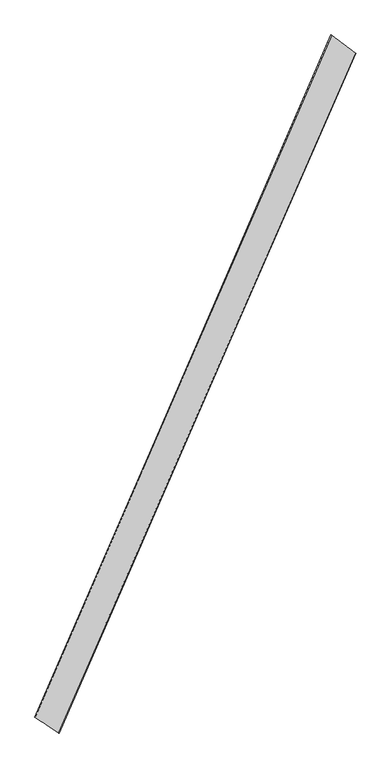
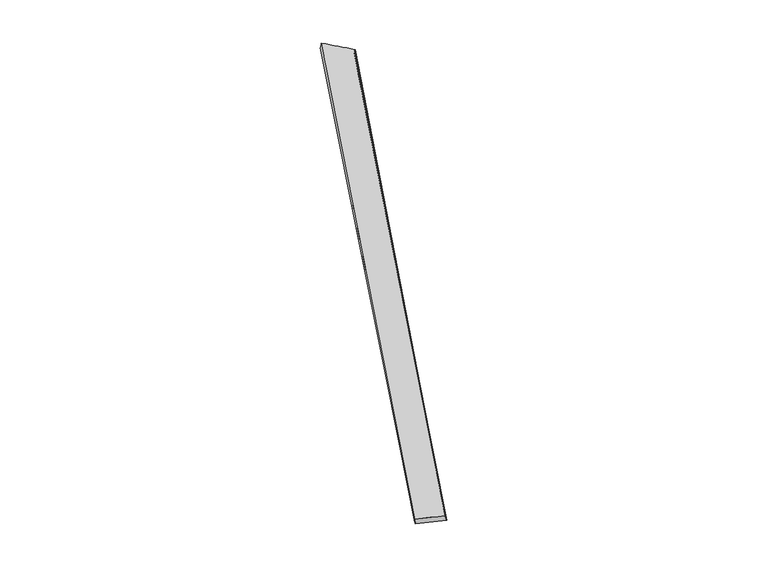
"""IFC4 building model written with IfcOpenShell, lengths in millimetres: proxy geometry."""

from ifc_helpers import new_model, si_unit, origin, place, context, project, spatial, source, transform, mapped, element, save
from ifc_brep_helpers import spline_surface, advanced_brep


def generic_models_5bfe4fb2(model_context):
    return source(origin(), model_context, "Body", "AdvancedBrep", [
        advanced_brep(
        [(-689.5488843, -1746.8571735, 13.9660483), (-683.3392743, -1749.793563, -15.2370057), (967.6871225, 2034.9739352, -42.5543866), (971.7924641, 2033.3804546, -12.8793637), (-814.4847232, -1662.5158295, -43.6789378), (831.603751, 2136.6892243, -16.7627544), (-818.1641348, -1661.1223349, -13.9380551), (835.9205549, 2134.5990539, 12.8513705)],
        [
            (0, 1),
            (1, 2),
            (2, 3),
            (3, 0),
            (1, 4),
            (4, 5),
            (5, 2),
            (4, 6),
            (6, 7),
            (7, 5),
            (6, 0),
            (3, 7),
        ],
        [
            spline_surface(1, 1, [[(-689.5488843, -1746.8571735, 13.9660483), (971.7924641, 2033.3804546, -12.8793637)], [(-683.3392743, -1749.793563, -15.2370057), (967.6871225, 2034.9739352, -42.5543866)]], [2, 2], [2, 2], [0.0, 1.0], [0.0, 1.0]),
            spline_surface(1, 1, [[(-683.3392743, -1749.793563, -15.2370057), (967.6871225, 2034.9739352, -42.5543866)], [(-814.4847232, -1662.5158295, -43.6789378), (831.603751, 2136.6892243, -16.7627544)]], [2, 2], [2, 2], [0.0, 1.0], [0.0, 1.0]),
            spline_surface(1, 1, [[(-814.4847232, -1662.5158295, -43.6789378), (831.603751, 2136.6892243, -16.7627544)], [(-818.1641348, -1661.1223349, -13.9380551), (835.9205549, 2134.5990539, 12.8513705)]], [2, 2], [2, 2], [0.0, 1.0], [0.0, 1.0]),
            spline_surface(1, 1, [[(-818.1641348, -1661.1223349, -13.9380551), (835.9205549, 2134.5990539, 12.8513705)], [(-689.5488843, -1746.8571735, 13.9660483), (971.7924641, 2033.3804546, -12.8793637)]], [2, 2], [2, 2], [0.0, 1.0], [0.0, 1.0]),
            spline_surface(1, 1, [[(967.6871225, 2034.9739352, -42.5543866), (971.7924641, 2033.3804546, -12.8793637)], [(831.603751, 2136.6892243, -16.7627544), (835.9205549, 2134.5990539, 12.8513705)]], [2, 2], [2, 2], [0.0, 1.0], [0.0, 1.0]),
            spline_surface(1, 1, [[(-818.1641348, -1661.1223349, -13.9380551), (-689.5488843, -1746.8571735, 13.9660483)], [(-814.4847232, -1662.5158295, -43.6789378), (-683.3392743, -1749.793563, -15.2370057)]], [2, 2], [2, 2], [0.0, 1.0], [0.0, 1.0]),
        ],
        [
            (0, [[1, 2, 3, 4]]),
            (1, [[5, 6, 7, -2]]),
            (2, [[8, 9, 10, -6]]),
            (3, [[11, -4, 12, -9]]),
            (4, [[-3, -7, -10, -12]]),
            (5, [[-11, -8, -5, -1]]),
        ],
    ),
    ])


if __name__ == "__main__":
    model = new_model("IFC4")
    model_context = context("Model", 3, world=origin())
    ifc_project = project(units=[si_unit("LENGTHUNIT", "METRE", prefix="MILLI")], contexts=[model_context])
    site = spatial("IfcSite", under=ifc_project)
    building = spatial("IfcBuilding", under=site)
    placement = place(None, origin())
    generic_models_shape = generic_models_5bfe4fb2(model_context)
    element("IfcBuildingElementProxy", 1, Name="Generic Models", at=placement, inside=building, context=model_context, shape_type="MappedRepresentation", body=[
        mapped(generic_models_shape, transform((0.0, 0.0, 0.0), x_axis=(1.0, 0.0, 0.0), y_axis=(0.0, 1.0, 0.0), z_axis=(0.0, 0.0, 1.0))),
    ])
    save(model, "model.ifc")
